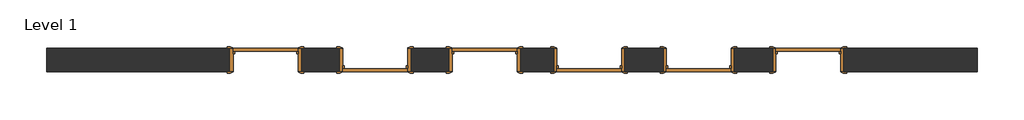
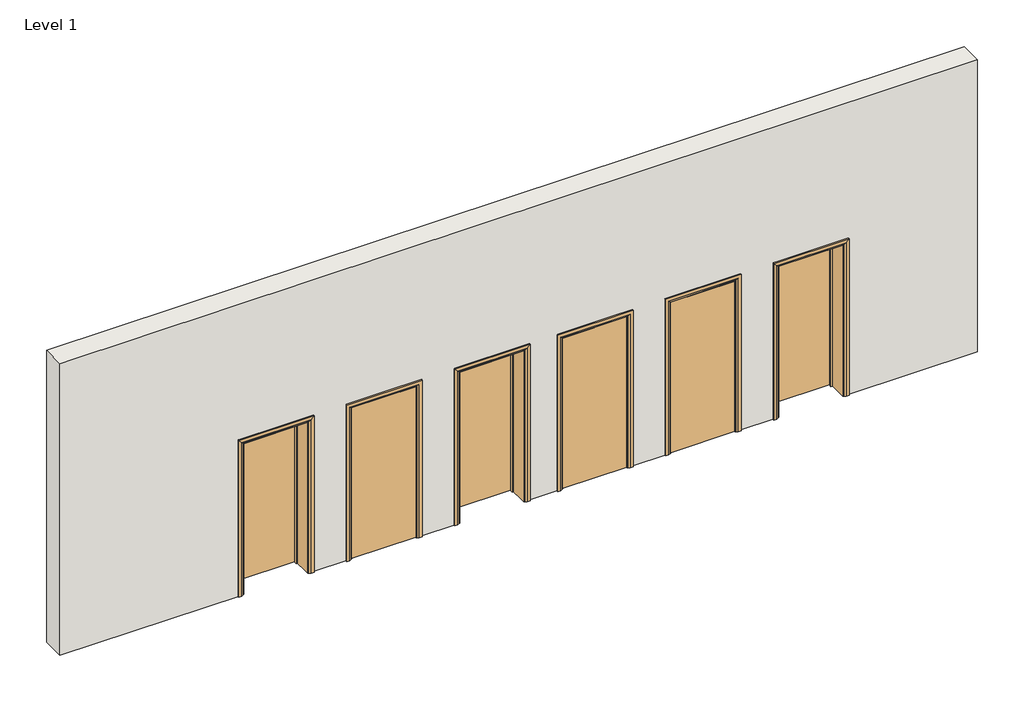
# One storey: 6 doors, 1 wall.
"""IFC4 building model written with IfcOpenShell, lengths in millimetres."""

import ifcopenshell
import ifcopenshell.guid

model = None  # the IFC model being written
_history = None  # IfcOwnerHistory: only IFC2X3 demands one
_inside = {}  # id of a spatial element -> (the spatial element, [elements in it])
_under = {}  # id of a project, library or spatial element -> (it, [spatial elements below it])
_declared = {}  # id of a project -> (the project, [libraries it declares])
_typed = {}  # id of a type object -> (the type object, [elements of that type])
_made_of = {}  # id of a material, layer set ... -> (it, [elements and type objects made of it])


def new_model(schema):
    """Start an empty IFC model of exactly this schema.

    Asked for "IFC4X3", IfcOpenShell would pick the latest addendum, in which some entities
    have other attributes; the version numbers below select the first issue.
    IFC2X3 requires an IfcOwnerHistory on every rooted entity: one is made here for all.
    """
    global model, _history
    if schema == "IFC4X3":
        model = ifcopenshell.file(schema_version=(4, 3, 0, 0))
    else:
        model = ifcopenshell.file(schema=schema)
    _inside.clear()
    _under.clear()
    _declared.clear()
    _typed.clear()
    _made_of.clear()
    _history = None
    if model.schema == "IFC2X3":
        org = make("IfcOrganization", Name="unknown")
        user = make(
            "IfcPersonAndOrganization",
            ThePerson=make("IfcPerson", FamilyName="unknown"),
            TheOrganization=org,
        )
        app = make(
            "IfcApplication",
            ApplicationDeveloper=org,
            Version="unknown",
            ApplicationFullName="unknown",
            ApplicationIdentifier="unknown",
        )
        _history = make(
            "IfcOwnerHistory",
            OwningUser=user,
            OwningApplication=app,
            ChangeAction="ADDED",
            CreationDate=0,
        )
    return model


def make(cls, **values):
    """One entity of the class cls with the attributes given. An attribute that is None is left unset."""
    return model.create_entity(
        cls, **{name: value for name, value in values.items() if value is not None}
    )


def rooted(cls, **values):
    """An entity with a GlobalId (a new one), such as an element, a storey or a relation."""
    return make(cls, GlobalId=ifcopenshell.guid.new(), OwnerHistory=_history, **values)


def si_unit(unit_type, name, prefix=None):
    """IfcSIUnit, for example si_unit("LENGTHUNIT", "METRE", prefix="MILLI")."""
    return make("IfcSIUnit", UnitType=unit_type, Prefix=prefix, Name=name)


def assignment(units):
    """IfcUnitAssignment: the units of a project."""
    return None if units is None else make("IfcUnitAssignment", Units=units)


def point(xyz):
    """IfcCartesianPoint."""
    return None if xyz is None else make("IfcCartesianPoint", Coordinates=xyz)


def direction(xyz):
    """IfcDirection."""
    return None if xyz is None else make("IfcDirection", DirectionRatios=xyz)


def frame(location, z_axis=None, x_axis=None):
    """IfcAxis2Placement3D, a coordinate frame: its origin and axes. An axis left out is left unset."""
    return make(
        "IfcAxis2Placement3D",
        Location=point(location),
        Axis=direction(z_axis),
        RefDirection=direction(x_axis),
    )


def origin():
    """The frame at (0, 0, 0) with its axes left unset."""
    return frame((0.0, 0.0, 0.0))


def place(relative_to, where):
    """IfcLocalPlacement: puts the frame where relative to a parent placement (None: the world)."""
    return make(
        "IfcLocalPlacement", PlacementRelTo=relative_to, RelativePlacement=where
    )


def context(
    kind, dimensions, precision=None, world=None, true_north=None, identifier=None
):
    """IfcGeometricRepresentationContext, for example the 3D "Model" context."""
    return make(
        "IfcGeometricRepresentationContext",
        ContextIdentifier=identifier,
        ContextType=kind,
        CoordinateSpaceDimension=dimensions,
        Precision=precision,
        WorldCoordinateSystem=world,
        TrueNorth=true_north,
    )


def project(units=None, contexts=None):
    """IfcProject with its units and contexts."""
    return rooted(
        "IfcProject",
        Name="project",
        RepresentationContexts=contexts,
        UnitsInContext=assignment(units),
    )


def spatial(cls, under=None, at=None, **own):
    """A site, building, storey or space (cls), placed at a placement, below another one or the project."""
    s = rooted(cls, ObjectPlacement=at, **own)
    if under is not None:
        _under.setdefault(under.id(), (under, []))[1].append(s)
    return s


def polyline(points):
    """IfcPolyline through the points."""
    return make("IfcPolyline", Points=[point(p) for p in points])


def circle_curve(where, radius):
    """IfcCircle in the frame where."""
    return make("IfcCircle", Position=where, Radius=radius)


def ellipse_curve(where, semi_axis1, semi_axis2):
    """IfcEllipse in the frame where."""
    return make(
        "IfcEllipse", Position=where, SemiAxis1=semi_axis1, SemiAxis2=semi_axis2
    )


def outline(outer, holes=None, kind="AREA"):
    """IfcArbitraryClosedProfileDef: a profile drawn as a closed curve; with holes, ...WithVoids."""
    if holes is None:
        return make("IfcArbitraryClosedProfileDef", ProfileType=kind, OuterCurve=outer)
    return make(
        "IfcArbitraryProfileDefWithVoids",
        ProfileType=kind,
        OuterCurve=outer,
        InnerCurves=holes,
    )


def extrude(swept, where, along, depth):
    """IfcExtrudedAreaSolid: the profile swept, set in the frame where, extruded along a direction by depth."""
    return make(
        "IfcExtrudedAreaSolid",
        SweptArea=swept,
        Position=where,
        ExtrudedDirection=direction(along),
        Depth=depth,
    )


def faces_of(points, faces, orient=None, outer=None):
    """IfcFace entities. A face is a list of loops; a loop is a list of indices into points, from 0.

    orient and outer hold one flag for each loop. By default every Orientation is true, the
    first loop of a face is its IfcFaceOuterBound and the others are IfcFaceBound.
    """
    made = []
    for i, loops in enumerate(faces):
        bounds = []
        for j, loop in enumerate(loops):
            is_outer = j == 0 if outer is None else outer[i][j]
            bounds.append(
                make(
                    "IfcFaceOuterBound" if is_outer else "IfcFaceBound",
                    Bound=make("IfcPolyLoop", Polygon=[points[k] for k in loop]),
                    Orientation=True if orient is None else orient[i][j],
                )
            )
        made.append(make("IfcFace", Bounds=bounds))
    return made


def faceted_brep(points, faces, orient=None, outer=None, voids=None):
    """IfcFacetedBrep: a solid bounded by flat faces; with voids (closed shells), ...WithVoids."""
    shared = [point(p) for p in points]
    hull = make("IfcClosedShell", CfsFaces=faces_of(shared, faces, orient, outer))
    if voids is None:
        return make("IfcFacetedBrep", Outer=hull)
    return make(
        "IfcFacetedBrepWithVoids",
        Outer=hull,
        Voids=[
            make(cls, CfsFaces=faces_of(shared, fs, o, b)) for cls, fs, o, b in voids
        ],
    )


def shape(context_of_items, identifier, shape_type, items):
    """IfcShapeRepresentation: the items that make up one representation, for example the "Body"."""
    return make(
        "IfcShapeRepresentation",
        ContextOfItems=context_of_items,
        RepresentationIdentifier=identifier,
        RepresentationType=shape_type,
        Items=items,
    )


def source(mapping_origin, context_of_items, identifier, shape_type, items):
    """IfcRepresentationMap: a shape defined once, which mapped items show again and again."""
    return make(
        "IfcRepresentationMap",
        MappingOrigin=mapping_origin,
        MappedRepresentation=shape(context_of_items, identifier, shape_type, items),
    )


def transform(
    local_origin,
    x_axis=None,
    y_axis=None,
    z_axis=None,
    scale=None,
    scale2=None,
    scale3=None,
    uniform=True,
):
    """IfcCartesianTransformationOperator3D, or its non-uniform kind. x_axis, y_axis, z_axis: its Axis1, 2, 3."""
    if uniform:
        return make(
            "IfcCartesianTransformationOperator3D",
            Axis1=direction(x_axis),
            Axis2=direction(y_axis),
            LocalOrigin=point(local_origin),
            Scale=scale,
            Axis3=direction(z_axis),
        )
    return make(
        "IfcCartesianTransformationOperator3DnonUniform",
        Axis1=direction(x_axis),
        Axis2=direction(y_axis),
        LocalOrigin=point(local_origin),
        Scale=scale,
        Axis3=direction(z_axis),
        Scale2=scale2,
        Scale3=scale3,
    )


def mapped(mapping_source, mapping_target):
    """IfcMappedItem: shows the shape of a source again, moved by a transform."""
    return make(
        "IfcMappedItem", MappingSource=mapping_source, MappingTarget=mapping_target
    )


def made_of(thing, what):
    """Note that an element or type object is made of a material, layer set ...; save() writes the relation."""
    if what is not None:
        _made_of.setdefault(what.id(), (what, []))[1].append(thing)
    return thing


def element(
    cls,
    number,
    at=None,
    inside=None,
    cuts=None,
    type_object=None,
    material=None,
    context=None,
    identifier="Body",
    shape_type=None,
    held_by="IfcProductDefinitionShape",
    body=None,
    shapes=None,
    **own,
):
    """One element of the class cls, such as IfcWall. Its Tag is "e" and its number.

    at: its placement. inside: the storey or other place that contains it. cuts: it is an
    opening in that element (IfcRelVoidsElement). A single representation is given by context,
    identifier, shape_type and body (its items); several are given by shapes. held_by: the class
    of the entity that holds the representations. save() writes the other relations.
    """
    e = rooted(cls, Tag="e%d" % number, ObjectPlacement=at, **own)
    if body is not None:
        shapes = [shape(context, identifier, shape_type, body)]
    if shapes is not None:
        e.Representation = make(held_by, Representations=shapes)
    if inside is not None:
        _inside.setdefault(inside.id(), (inside, []))[1].append(e)
    if cuts is not None:
        rooted(
            "IfcRelVoidsElement", RelatingBuildingElement=cuts, RelatedOpeningElement=e
        )
    if type_object is not None:
        _typed.setdefault(type_object.id(), (type_object, []))[1].append(e)
    return made_of(e, material)


def aggregate(whole, parts):
    """IfcRelAggregates: a whole, such as a stair, and the parts it consists of."""
    return rooted("IfcRelAggregates", RelatingObject=whole, RelatedObjects=parts)


def save(model, path):
    """Write the relations noted so far, then the file.

    IfcRelAggregates (storeys below a building ...), IfcRelContainedInSpatialStructure (elements
    in a storey), IfcRelDefinesByType, IfcRelAssociatesMaterial and IfcRelDeclares: one each for
    every whole, place, type object, material and project.
    """
    for whole, parts in _under.values():
        aggregate(whole, parts)
    for where, things in _inside.values():
        rooted(
            "IfcRelContainedInSpatialStructure",
            RelatedElements=things,
            RelatingStructure=where,
        )
    for kind, things in _typed.values():
        rooted("IfcRelDefinesByType", RelatedObjects=things, RelatingType=kind)
    for what, things in _made_of.values():
        rooted("IfcRelAssociatesMaterial", RelatedObjects=things, RelatingMaterial=what)
    for by, libraries in _declared.values():
        rooted("IfcRelDeclares", RelatingContext=by, RelatedDefinitions=libraries)
    model.write(path)


def plane_surface(at):
    """IfcPlane: the flat surface through the origin of the frame at, square to its z axis."""
    return make("IfcPlane", Position=at)


def cylinder_surface(at, radius):
    """IfcCylindricalSurface: all points at the distance radius from the z axis of the frame at."""
    return make("IfcCylindricalSurface", Position=at, Radius=radius)


def advanced_brep(points, edges, surfaces, faces):
    """IfcAdvancedBrep: a solid bounded by faces that lie on surfaces and meet in shared edges.

    An edge is (start, end): straight between two places in points (the first is 0);
    or (start, end, curve); or (start, end, curve, False) where it runs against its curve.
    A face is (place in surfaces, loops), or (place, loops, False) where it looks against
    its surface's normal. A loop lists edges by number (the first is 1), with a minus sign
    where the edge is run from its end to its start. The first loop is the outer one.
    """
    corners = [point(p) for p in points]
    vertices = [make("IfcVertexPoint", VertexGeometry=c) for c in corners]
    made = []
    for start, end, *more in edges:
        made.append(
            make(
                "IfcEdgeCurve",
                EdgeStart=vertices[start],
                EdgeEnd=vertices[end],
                EdgeGeometry=more[0] if more else make("IfcPolyline", Points=[corners[start], corners[end]]),
                SameSense=more[1] if len(more) > 1 else True,
            )
        )
    hull = []
    for where, loops, *sense in faces:
        bounds = []
        for j, loop in enumerate(loops):
            ring = [make("IfcOrientedEdge", EdgeElement=made[abs(k) - 1], Orientation=k > 0) for k in loop]
            bounds.append(
                make(
                    "IfcFaceOuterBound" if j == 0 else "IfcFaceBound",
                    Bound=make("IfcEdgeLoop", EdgeList=ring),
                    Orientation=True,
                )
            )
        hull.append(make("IfcAdvancedFace", Bounds=bounds, FaceSurface=surfaces[where], SameSense=sense[0] if sense else True))
    return make("IfcAdvancedBrep", Outer=make("IfcClosedShell", CfsFaces=hull))


def doors_concept_intsgl_910x2110mm_b3dd7a0d(model_context):
    return source(origin(), model_context, "Body", "SolidModel", [
        extrude(outline(polyline([(413.0, 112.0), (-413.0, 112.0), (-413.0, 150.0), (413.0, 150.0), (413.0, 112.0)])), frame((0.0, 0.0, 8.0), z_axis=(0.0, 0.0, 1.0), x_axis=(1.0, 0.0, 0.0)), (0.0, 0.0, 1.0), 2060.0),
        advanced_brep(
        [(490.0, 170.0, 0.0), (490.0, 150.0, 0.0), (420.0, 150.0, 0.0), (424.0, 156.0, 0.0), (450.0, 170.0, 0.0), (490.0, 170.0, 2145.0), (490.0, 150.0, 2145.0), (-490.0, 150.0, 2145.0), (-490.0, 150.0, 0.0), (-420.0, 150.0, 0.0), (-420.0, 150.0, 2075.0), (420.0, 150.0, 2075.0), (424.0, 156.0, 2079.0), (450.0, 170.0, 2105.0), (-450.0, 170.0, 2105.0), (-450.0, 170.0, 0.0), (-490.0, 170.0, 0.0), (-490.0, 170.0, 2145.0), (-424.0, 156.0, 0.0), (-424.0, 156.0, 2079.0)],
        [
            (0, 1),
            (1, 2),
            (2, 3, circle_curve(frame((428.0, 149.0, 0.0), z_axis=(0.0, 0.0, -1.0), x_axis=(1.0, 0.0, 0.0)), 8.0622577)),
            (3, 4),
            (4, 0),
            (0, 5),
            (5, 6),
            (6, 1),
            (6, 7),
            (7, 8),
            (8, 9),
            (9, 10),
            (10, 11),
            (11, 2),
            (11, 12, ellipse_curve(frame((428.0, 149.0, 2083.0), z_axis=(0.7071067811865475, 0.0, -0.7071067811865475), x_axis=(-0.7071067811865474, 0.0, -0.7071067811865476)), 11.4017543, 8.0622577)),
            (12, 3),
            (12, 13),
            (13, 4),
            (13, 14),
            (14, 15),
            (15, 16),
            (16, 17),
            (17, 5),
            (7, 17),
            (16, 8),
            (15, 18),
            (18, 9, circle_curve(frame((-428.0, 149.0, 0.0), z_axis=(0.0, 0.0, -1.0), x_axis=(-1.0, 0.0, 0.0)), 8.0622577)),
            (19, 10, ellipse_curve(frame((-428.0, 149.0, 2083.0), z_axis=(-0.7071067811865475, 0.0, -0.7071067811865475), x_axis=(-0.7071067811865474, 0.0, 0.7071067811865476)), 11.4017543, 8.0622577)),
            (18, 19),
            (14, 19),
            (19, 12),
        ],
        [
            plane_surface(frame((420.0, 150.0, 0.0), z_axis=(0.0, 0.0, -1.0), x_axis=(0.0, -1.0, 0.0))),
            plane_surface(frame((490.0, 170.0, 0.0), z_axis=(1.0, 0.0, 0.0), x_axis=(0.0, 0.0, 1.0))),
            plane_surface(frame((490.0, 150.0, 0.0), z_axis=(0.0, -1.0, 0.0), x_axis=(0.0, 0.0, 1.0))),
            cylinder_surface(frame((428.0, 149.0, 0.0), z_axis=(0.0, 0.0, -1.0), x_axis=(1.0, 0.0, 0.0)), 8.0622577),
            plane_surface(frame((424.0, 156.0, 0.0), z_axis=(-0.4740998230350126, 0.880471099922178, 0.0), x_axis=(0.0, 0.0, 1.0))),
            plane_surface(frame((450.0, 170.0, 0.0), z_axis=(0.0, 1.0, 0.0), x_axis=(0.0, 0.0, 1.0))),
            plane_surface(frame((-490.0, 170.0, 2145.0), z_axis=(-1.0, 0.0, 0.0), x_axis=(0.0, 0.0, -1.0))),
            plane_surface(frame((-420.0, 150.0, 0.0), z_axis=(0.0, 0.0, -1.0), x_axis=(0.0, -1.0, 0.0))),
            cylinder_surface(frame((-428.0, 149.0, 2075.0), z_axis=(0.0, 0.0, 1.0), x_axis=(-1.0, 0.0, 0.0)), 8.0622577),
            plane_surface(frame((-424.0, 156.0, 2079.0), z_axis=(0.47409982303501824, 0.8804710999221749, 0.0), x_axis=(0.0, 0.0, -1.0))),
            plane_surface(frame((490.0, 170.0, 2145.0), z_axis=(0.0, 0.0, 1.0), x_axis=(-1.0, 0.0, 0.0))),
            cylinder_surface(frame((420.0, 149.0, 2083.0), z_axis=(1.0, 0.0, 0.0), x_axis=(0.0, 0.0, 1.0)), 8.0622577),
            plane_surface(frame((424.0, 156.0, 2079.0), z_axis=(0.0, 0.8804710999221764, -0.4740998230350154), x_axis=(-1.0, 0.0, 0.0))),
        ],
        [
            (0, [[1, 2, 3, 4, 5]]),
            (1, [[-1, 6, 7, 8]]),
            (2, [[-2, -8, 9, 10, 11, 12, 13, 14]]),
            (3, [[-3, -14, 15, 16]]),
            (4, [[-4, -16, 17, 18]]),
            (5, [[-5, -18, 19, 20, 21, 22, 23, -6]]),
            (6, [[24, -22, 25, -10]]),
            (7, [[-21, 26, 27, -11, -25]]),
            (8, [[28, -12, -27, 29]]),
            (9, [[30, -29, -26, -20]]),
            (10, [[-7, -23, -24, -9]]),
            (11, [[-15, -13, -28, 31]]),
            (12, [[-17, -31, -30, -19]]),
        ],
    ),
        extrude(outline(polyline([(0.0, -415.0), (0.0, -396.0), (2051.0, -396.0), (2051.0, 396.0), (0.0, 396.0), (0.0, 415.0), (2070.0, 415.0), (2070.0, -415.0), (0.0, -415.0)])), frame((0.0, 78.0, 0.0), z_axis=(0.0, 1.0, 0.0), x_axis=(0.0, 0.0, 1.0)), (0.0, 0.0, 1.0), 32.0),
        advanced_brep(
        [(-490.0, -170.0, 0.0), (-490.0, -150.0, 0.0), (-420.0, -150.0, 0.0), (-424.0, -156.0, 0.0), (-450.0, -170.0, 0.0), (-490.0, -170.0, 2145.0), (-490.0, -150.0, 2145.0), (-420.0, -150.0, 2075.0), (-424.0, -156.0, 2079.0), (-450.0, -170.0, 2105.0), (490.0, -170.0, 0.0), (450.0, -170.0, 0.0), (424.0, -156.0, 0.0), (420.0, -150.0, 0.0), (490.0, -150.0, 0.0), (490.0, -170.0, 2145.0), (450.0, -170.0, 2105.0), (424.0, -156.0, 2079.0), (420.0, -150.0, 2075.0), (490.0, -150.0, 2145.0)],
        [
            (0, 1),
            (1, 2),
            (2, 3, circle_curve(frame((-428.0, -149.0, 0.0), z_axis=(0.0, 0.0, -1.0), x_axis=(-1.0, 0.0, 0.0)), 8.0622577)),
            (3, 4),
            (4, 0),
            (0, 5),
            (5, 6),
            (6, 1),
            (6, 7),
            (7, 2),
            (7, 8, ellipse_curve(frame((-428.0, -149.0, 2083.0), z_axis=(-0.7071067811865475, 0.0, -0.7071067811865475), x_axis=(0.7071067811865474, 0.0, -0.7071067811865476)), 11.4017543, 8.0622577)),
            (8, 3),
            (8, 9),
            (9, 4),
            (9, 5),
            (10, 11),
            (11, 12),
            (12, 13, circle_curve(frame((428.0, -149.0, 0.0), z_axis=(0.0, 0.0, -1.0), x_axis=(1.0, 0.0, 0.0)), 8.0622577)),
            (13, 14),
            (14, 10),
            (15, 16),
            (16, 11),
            (10, 15),
            (16, 17),
            (17, 12),
            (17, 18, ellipse_curve(frame((428.0, -149.0, 2083.0), z_axis=(0.7071067811865475, 0.0, -0.7071067811865475), x_axis=(0.7071067811865474, 0.0, 0.7071067811865476)), 11.4017543, 8.0622577)),
            (18, 13),
            (18, 19),
            (19, 14),
            (19, 15),
            (5, 15),
            (19, 6),
            (18, 7),
            (17, 8),
            (16, 9),
        ],
        [
            plane_surface(frame((-420.0, -222.8010989, 0.0), z_axis=(0.0, 0.0, -1.0), x_axis=(1.0, 0.0, 0.0))),
            plane_surface(frame((-490.0, -170.0, 0.0), z_axis=(-1.0, 0.0, 0.0), x_axis=(0.0, 0.0, 1.0))),
            plane_surface(frame((-490.0, -150.0, 0.0), z_axis=(0.0, 1.0, 0.0), x_axis=(0.0, 0.0, 1.0))),
            cylinder_surface(frame((-428.0, -149.0, 0.0), z_axis=(0.0, 0.0, -1.0), x_axis=(-1.0, 0.0, 0.0)), 8.0622577),
            plane_surface(frame((-424.0, -156.0, 0.0), z_axis=(0.4740998230350183, -0.8804710999221749, 0.0), x_axis=(0.0, 0.0, 1.0))),
            plane_surface(frame((-450.0, -170.0, 0.0), z_axis=(0.0, -1.0, 0.0), x_axis=(0.0, 0.0, 1.0))),
            plane_surface(frame((420.0, -222.8010989, 0.0), z_axis=(0.0, 0.0, -1.0), x_axis=(-1.0, 0.0, 0.0))),
            plane_surface(frame((450.0, -170.0, 2105.0), z_axis=(0.0, -1.0, 0.0), x_axis=(0.0, 0.0, -1.0))),
            plane_surface(frame((424.0, -156.0, 2079.0), z_axis=(-0.4740998230350183, -0.8804710999221749, 0.0), x_axis=(0.0, 0.0, -1.0))),
            cylinder_surface(frame((428.0, -149.0, 2075.0), z_axis=(0.0, 0.0, 1.0), x_axis=(1.0, 0.0, 0.0)), 8.0622577),
            plane_surface(frame((490.0, -150.0, 2145.0), z_axis=(0.0, 1.0, 0.0), x_axis=(0.0, 0.0, -1.0))),
            plane_surface(frame((490.0, -170.0, 2145.0), z_axis=(1.0, 0.0, 0.0), x_axis=(0.0, 0.0, -1.0))),
            plane_surface(frame((-490.0, -170.0, 2145.0), z_axis=(0.0, 0.0, 1.0), x_axis=(1.0, 0.0, 0.0))),
            plane_surface(frame((-490.0, -150.0, 2145.0), z_axis=(0.0, 1.0, 0.0), x_axis=(1.0, 0.0, 0.0))),
            cylinder_surface(frame((-420.0, -149.0, 2083.0), z_axis=(-1.0, 0.0, 0.0), x_axis=(0.0, 0.0, 1.0)), 8.0622577),
            plane_surface(frame((-424.0, -156.0, 2079.0), z_axis=(0.0, -0.8804710999221749, -0.4740998230350183), x_axis=(1.0, 0.0, 0.0))),
            plane_surface(frame((-450.0, -170.0, 2105.0), z_axis=(0.0, -1.0, 0.0), x_axis=(1.0, 0.0, 0.0))),
        ],
        [
            (0, [[1, 2, 3, 4, 5]]),
            (1, [[-1, 6, 7, 8]]),
            (2, [[-2, -8, 9, 10]]),
            (3, [[-3, -10, 11, 12]]),
            (4, [[-4, -12, 13, 14]]),
            (5, [[-5, -14, 15, -6]]),
            (6, [[16, 17, 18, 19, 20]]),
            (7, [[21, 22, -16, 23]]),
            (8, [[24, 25, -17, -22]]),
            (9, [[26, 27, -18, -25]]),
            (10, [[28, 29, -19, -27]]),
            (11, [[30, -23, -20, -29]]),
            (12, [[-7, 31, -30, 32]]),
            (13, [[-9, -32, -28, 33]]),
            (14, [[-11, -33, -26, 34]]),
            (15, [[-13, -34, -24, 35]]),
            (16, [[-15, -35, -21, -31]]),
        ],
    ),
        faceted_brep([(-415.0, -150.0, 0.0), (-455.0, -150.0, 0.0), (-455.0, 150.0, 0.0), (-415.0, 150.0, 0.0), (-415.0, -150.0, 2070.0), (-455.0, -150.0, 2110.0), (-455.0, 150.0, 2110.0), (-415.0, 150.0, 2070.0), (415.0, -150.0, 0.0), (415.0, 150.0, 0.0), (455.0, 150.0, 0.0), (455.0, -150.0, 0.0), (415.0, -150.0, 2070.0), (415.0, 150.0, 2070.0), (455.0, 150.0, 2110.0), (455.0, -150.0, 2110.0)], [[[0, 1, 2, 3]], [[1, 0, 4, 5]], [[2, 1, 5, 6]], [[3, 2, 6, 7]], [[0, 3, 7, 4]], [[8, 9, 10, 11]], [[12, 13, 9, 8]], [[13, 14, 10, 9]], [[14, 15, 11, 10]], [[15, 12, 8, 11]], [[5, 4, 12, 15]], [[6, 5, 15, 14]], [[7, 6, 14, 13]], [[4, 7, 13, 12]]]),
    ])


def doors_concept_intsgl_910x2110mm_6596e6f1(model_context):
    return source(origin(), model_context, "Body", "SolidModel", [
        extrude(outline(polyline([(413.0, -112.0), (413.0, -150.0), (-413.0, -150.0), (-413.0, -112.0), (413.0, -112.0)])), frame((0.0, 0.0, 8.0), z_axis=(0.0, 0.0, 1.0), x_axis=(1.0, 0.0, 0.0)), (0.0, 0.0, 1.0), 2060.0),
        advanced_brep(
        [(490.0, -170.0, 0.0), (450.0, -170.0, 0.0), (424.0, -156.0, 0.0), (420.0, -150.0, 0.0), (490.0, -150.0, 0.0), (490.0, -150.0, 2145.0), (490.0, -170.0, 2145.0), (420.0, -150.0, 2075.0), (-420.0, -150.0, 2075.0), (-420.0, -150.0, 0.0), (-490.0, -150.0, 0.0), (-490.0, -150.0, 2145.0), (424.0, -156.0, 2079.0), (450.0, -170.0, 2105.0), (-490.0, -170.0, 2145.0), (-490.0, -170.0, 0.0), (-450.0, -170.0, 0.0), (-450.0, -170.0, 2105.0), (-424.0, -156.0, 0.0), (-424.0, -156.0, 2079.0)],
        [
            (0, 1),
            (1, 2),
            (2, 3, circle_curve(frame((428.0, -149.0, 0.0), z_axis=(0.0, 0.0, -1.0), x_axis=(1.0, 0.0, 0.0)), 8.0622577)),
            (3, 4),
            (4, 0),
            (4, 5),
            (5, 6),
            (6, 0),
            (3, 7),
            (7, 8),
            (8, 9),
            (9, 10),
            (10, 11),
            (11, 5),
            (2, 12),
            (12, 7, ellipse_curve(frame((428.0, -149.0, 2083.0), z_axis=(0.7071067811865475, 0.0, -0.7071067811865475), x_axis=(-0.7071067811865474, 0.0, -0.7071067811865476)), 11.4017543, 8.0622577)),
            (1, 13),
            (13, 12),
            (6, 14),
            (14, 15),
            (15, 16),
            (16, 17),
            (17, 13),
            (10, 15),
            (14, 11),
            (9, 18, circle_curve(frame((-428.0, -149.0, 0.0), z_axis=(0.0, 0.0, -1.0), x_axis=(-1.0, 0.0, 0.0)), 8.0622577)),
            (18, 16),
            (19, 18),
            (8, 19, ellipse_curve(frame((-428.0, -149.0, 2083.0), z_axis=(-0.7071067811865475, 0.0, -0.7071067811865475), x_axis=(-0.7071067811865474, 0.0, 0.7071067811865476)), 11.4017543, 8.0622577)),
            (19, 17),
            (12, 19),
        ],
        [
            plane_surface(frame((420.0, -150.0, 0.0), z_axis=(0.0, 0.0, -1.0), x_axis=(0.0, 1.0, 0.0))),
            plane_surface(frame((490.0, -170.0, 0.0), z_axis=(1.0, 0.0, 0.0), x_axis=(0.0, 0.0, 1.0))),
            plane_surface(frame((490.0, -150.0, 0.0), z_axis=(0.0, 1.0, 0.0), x_axis=(0.0, 0.0, 1.0))),
            cylinder_surface(frame((428.0, -149.0, 0.0), z_axis=(0.0, 0.0, -1.0), x_axis=(1.0, 0.0, 0.0)), 8.0622577),
            plane_surface(frame((424.0, -156.0, 0.0), z_axis=(-0.4740998230350126, -0.880471099922178, 0.0), x_axis=(0.0, 0.0, 1.0))),
            plane_surface(frame((450.0, -170.0, 0.0), z_axis=(0.0, -1.0, 0.0), x_axis=(0.0, 0.0, 1.0))),
            plane_surface(frame((-490.0, -170.0, 2145.0), z_axis=(-1.0, 0.0, 0.0), x_axis=(0.0, 0.0, -1.0))),
            plane_surface(frame((-420.0, -150.0, 0.0), z_axis=(0.0, 0.0, -1.0), x_axis=(0.0, 1.0, 0.0))),
            cylinder_surface(frame((-428.0, -149.0, 2075.0), z_axis=(0.0, 0.0, 1.0), x_axis=(-1.0, 0.0, 0.0)), 8.0622577),
            plane_surface(frame((-424.0, -156.0, 2079.0), z_axis=(0.47409982303501824, -0.8804710999221749, 0.0), x_axis=(0.0, 0.0, -1.0))),
            plane_surface(frame((490.0, -170.0, 2145.0), z_axis=(0.0, 0.0, 1.0), x_axis=(-1.0, 0.0, 0.0))),
            cylinder_surface(frame((420.0, -149.0, 2083.0), z_axis=(1.0, 0.0, 0.0), x_axis=(0.0, 0.0, 1.0)), 8.0622577),
            plane_surface(frame((424.0, -156.0, 2079.0), z_axis=(0.0, -0.8804710999221764, -0.4740998230350154), x_axis=(-1.0, 0.0, 0.0))),
        ],
        [
            (0, [[1, 2, 3, 4, 5]]),
            (1, [[6, 7, 8, -5]]),
            (2, [[9, 10, 11, 12, 13, 14, -6, -4]]),
            (3, [[15, 16, -9, -3]]),
            (4, [[17, 18, -15, -2]]),
            (5, [[-8, 19, 20, 21, 22, 23, -17, -1]]),
            (6, [[-13, 24, -20, 25]]),
            (7, [[-24, -12, 26, 27, -21]]),
            (8, [[28, -26, -11, 29]]),
            (9, [[-22, -27, -28, 30]]),
            (10, [[-14, -25, -19, -7]]),
            (11, [[31, -29, -10, -16]]),
            (12, [[-23, -30, -31, -18]]),
        ],
    ),
        extrude(outline(polyline([(0.0, -396.0), (2051.0, -396.0), (2051.0, 396.0), (0.0, 396.0), (0.0, 415.0), (2070.0, 415.0), (2070.0, -415.0), (0.0, -415.0), (0.0, -396.0)])), frame((0.0, -110.0, 0.0), z_axis=(0.0, 1.0, 0.0), x_axis=(0.0, 0.0, 1.0)), (0.0, 0.0, 1.0), 32.0),
        advanced_brep(
        [(-490.0, 170.0, 0.0), (-450.0, 170.0, 0.0), (-424.0, 156.0, 0.0), (-420.0, 150.0, 0.0), (-490.0, 150.0, 0.0), (-490.0, 150.0, 2145.0), (-490.0, 170.0, 2145.0), (-420.0, 150.0, 2075.0), (-424.0, 156.0, 2079.0), (-450.0, 170.0, 2105.0), (490.0, 170.0, 0.0), (490.0, 150.0, 0.0), (420.0, 150.0, 0.0), (424.0, 156.0, 0.0), (450.0, 170.0, 0.0), (490.0, 170.0, 2145.0), (450.0, 170.0, 2105.0), (424.0, 156.0, 2079.0), (420.0, 150.0, 2075.0), (490.0, 150.0, 2145.0)],
        [
            (0, 1),
            (1, 2),
            (2, 3, circle_curve(frame((-428.0, 149.0, 0.0), z_axis=(0.0, 0.0, -1.0), x_axis=(-1.0, 0.0, 0.0)), 8.0622577)),
            (3, 4),
            (4, 0),
            (4, 5),
            (5, 6),
            (6, 0),
            (3, 7),
            (7, 5),
            (2, 8),
            (8, 7, ellipse_curve(frame((-428.0, 149.0, 2083.0), z_axis=(-0.7071067811865475, 0.0, -0.7071067811865475), x_axis=(0.7071067811865474, 0.0, -0.7071067811865476)), 11.4017543, 8.0622577)),
            (1, 9),
            (9, 8),
            (6, 9),
            (10, 11),
            (11, 12),
            (12, 13, circle_curve(frame((428.0, 149.0, 0.0), z_axis=(0.0, 0.0, -1.0), x_axis=(1.0, 0.0, 0.0)), 8.0622577)),
            (13, 14),
            (14, 10),
            (15, 10),
            (14, 16),
            (16, 15),
            (13, 17),
            (17, 16),
            (12, 18),
            (18, 17, ellipse_curve(frame((428.0, 149.0, 2083.0), z_axis=(0.7071067811865475, 0.0, -0.7071067811865475), x_axis=(0.7071067811865474, 0.0, 0.7071067811865476)), 11.4017543, 8.0622577)),
            (11, 19),
            (19, 18),
            (15, 19),
            (5, 19),
            (15, 6),
            (7, 18),
            (8, 17),
            (9, 16),
        ],
        [
            plane_surface(frame((-420.0, 222.8010989, 0.0), z_axis=(0.0, 0.0, -1.0), x_axis=(1.0, 0.0, 0.0))),
            plane_surface(frame((-490.0, 170.0, 0.0), z_axis=(-1.0, 0.0, 0.0), x_axis=(0.0, 0.0, 1.0))),
            plane_surface(frame((-490.0, 150.0, 0.0), z_axis=(0.0, -1.0, 0.0), x_axis=(0.0, 0.0, 1.0))),
            cylinder_surface(frame((-428.0, 149.0, 0.0), z_axis=(0.0, 0.0, -1.0), x_axis=(-1.0, 0.0, 0.0)), 8.0622577),
            plane_surface(frame((-424.0, 156.0, 0.0), z_axis=(0.4740998230350183, 0.8804710999221749, 0.0), x_axis=(0.0, 0.0, 1.0))),
            plane_surface(frame((-450.0, 170.0, 0.0), z_axis=(0.0, 1.0, 0.0), x_axis=(0.0, 0.0, 1.0))),
            plane_surface(frame((420.0, 222.8010989, 0.0), z_axis=(0.0, 0.0, -1.0), x_axis=(-1.0, 0.0, 0.0))),
            plane_surface(frame((450.0, 170.0, 2105.0), z_axis=(0.0, 1.0, 0.0), x_axis=(0.0, 0.0, -1.0))),
            plane_surface(frame((424.0, 156.0, 2079.0), z_axis=(-0.4740998230350183, 0.8804710999221749, 0.0), x_axis=(0.0, 0.0, -1.0))),
            cylinder_surface(frame((428.0, 149.0, 2075.0), z_axis=(0.0, 0.0, 1.0), x_axis=(1.0, 0.0, 0.0)), 8.0622577),
            plane_surface(frame((490.0, 150.0, 2145.0), z_axis=(0.0, -1.0, 0.0), x_axis=(0.0, 0.0, -1.0))),
            plane_surface(frame((490.0, 170.0, 2145.0), z_axis=(1.0, 0.0, 0.0), x_axis=(0.0, 0.0, -1.0))),
            plane_surface(frame((-490.0, 170.0, 2145.0), z_axis=(0.0, 0.0, 1.0), x_axis=(1.0, 0.0, 0.0))),
            plane_surface(frame((-490.0, 150.0, 2145.0), z_axis=(0.0, -1.0, 0.0), x_axis=(1.0, 0.0, 0.0))),
            cylinder_surface(frame((-420.0, 149.0, 2083.0), z_axis=(-1.0, 0.0, 0.0), x_axis=(0.0, 0.0, 1.0)), 8.0622577),
            plane_surface(frame((-424.0, 156.0, 2079.0), z_axis=(0.0, 0.8804710999221749, -0.4740998230350183), x_axis=(1.0, 0.0, 0.0))),
            plane_surface(frame((-450.0, 170.0, 2105.0), z_axis=(0.0, 1.0, 0.0), x_axis=(1.0, 0.0, 0.0))),
        ],
        [
            (0, [[1, 2, 3, 4, 5]]),
            (1, [[6, 7, 8, -5]]),
            (2, [[9, 10, -6, -4]]),
            (3, [[11, 12, -9, -3]]),
            (4, [[13, 14, -11, -2]]),
            (5, [[-8, 15, -13, -1]]),
            (6, [[16, 17, 18, 19, 20]]),
            (7, [[21, -20, 22, 23]]),
            (8, [[-22, -19, 24, 25]]),
            (9, [[-24, -18, 26, 27]]),
            (10, [[-26, -17, 28, 29]]),
            (11, [[-28, -16, -21, 30]]),
            (12, [[31, -30, 32, -7]]),
            (13, [[33, -29, -31, -10]]),
            (14, [[34, -27, -33, -12]]),
            (15, [[35, -25, -34, -14]]),
            (16, [[-32, -23, -35, -15]]),
        ],
    ),
        faceted_brep([(-415.0, 150.0, 0.0), (-415.0, -150.0, 0.0), (-455.0, -150.0, 0.0), (-455.0, 150.0, 0.0), (-455.0, 150.0, 2110.0), (-415.0, 150.0, 2070.0), (-455.0, -150.0, 2110.0), (-415.0, -150.0, 2070.0), (415.0, 150.0, 0.0), (455.0, 150.0, 0.0), (455.0, -150.0, 0.0), (415.0, -150.0, 0.0), (415.0, 150.0, 2070.0), (415.0, -150.0, 2070.0), (455.0, -150.0, 2110.0), (455.0, 150.0, 2110.0)], [[[0, 1, 2, 3]], [[3, 4, 5, 0]], [[2, 6, 4, 3]], [[1, 7, 6, 2]], [[0, 5, 7, 1]], [[8, 9, 10, 11]], [[12, 8, 11, 13]], [[13, 11, 10, 14]], [[14, 10, 9, 15]], [[15, 9, 8, 12]], [[4, 15, 12, 5]], [[6, 14, 15, 4]], [[7, 13, 14, 6]], [[5, 12, 13, 7]]]),
    ])


model = new_model("IFC4")

# Units and contexts
model_context = context("Model", 3, world=origin())
ifc_project = project(units=[si_unit("LENGTHUNIT", "METRE", prefix="MILLI")], contexts=[model_context])

# Site, building, storey
site = spatial("IfcSite", under=ifc_project)
building = spatial("IfcBuilding", under=site)
storey = spatial("IfcBuildingStorey", under=building, Name="Level 1", Elevation=0.0)

# Doors
placement = place(None, origin())
doors_concept_intsgl_910x2110mm_shape = doors_concept_intsgl_910x2110mm_b3dd7a0d(model_context)
element("IfcDoor", 1, ObjectType="Doors_Concept_IntSgl : 910x2110mm", at=placement, inside=storey, context=model_context, shape_type="MappedRepresentation", body=[
    mapped(doors_concept_intsgl_910x2110mm_shape, transform((1860.6382979, 2812.3005319, 0.0), x_axis=(1.0, 0.0, 0.0), y_axis=(0.0, 1.0, 0.0), z_axis=(0.0, 0.0, 1.0))),
])
element("IfcDoor", 2, ObjectType="Doors_Concept_IntSgl : 910x2110mm", at=placement, inside=storey, context=model_context, shape_type="MappedRepresentation", body=[
    mapped(doors_concept_intsgl_910x2110mm_shape, transform((3260.6382979, 2812.3005319, 0.0), x_axis=(-1.0, 0.0, 0.0), y_axis=(0.0, -1.0, 0.0), z_axis=(0.0, 0.0, 1.0))),
])
element("IfcDoor", 3, ObjectType="Doors_Concept_IntSgl : 910x2110mm", at=placement, inside=storey, context=model_context, shape_type="MappedRepresentation", body=[
    mapped(doors_concept_intsgl_910x2110mm_shape, transform((7396.7961104, 2812.3005319, 0.0), x_axis=(-1.0, 0.0, 0.0), y_axis=(0.0, -1.0, 0.0), z_axis=(0.0, 0.0, 1.0))),
])
doors_concept_intsgl_910x2110mm_2_shape = doors_concept_intsgl_910x2110mm_6596e6f1(model_context)
element("IfcDoor", 4, ObjectType="Doors_Concept_IntSgl : 910x2110mm", at=placement, inside=storey, context=model_context, shape_type="MappedRepresentation", body=[
    mapped(doors_concept_intsgl_910x2110mm_2_shape, transform((4660.6382979, 2812.3005319, 0.0), x_axis=(-1.0, 0.0, 0.0), y_axis=(0.0, -1.0, 0.0), z_axis=(0.0, 0.0, 1.0))),
])
element("IfcDoor", 5, ObjectType="Doors_Concept_IntSgl : 910x2110mm", at=placement, inside=storey, context=model_context, shape_type="MappedRepresentation", body=[
    mapped(doors_concept_intsgl_910x2110mm_2_shape, transform((5996.7961104, 2812.3005319, 0.0), x_axis=(1.0, 0.0, 0.0), y_axis=(0.0, 1.0, 0.0), z_axis=(0.0, 0.0, 1.0))),
])
element("IfcDoor", 6, ObjectType="Doors_Concept_IntSgl : 910x2110mm", at=placement, inside=storey, context=model_context, shape_type="MappedRepresentation", body=[
    mapped(doors_concept_intsgl_910x2110mm_2_shape, transform((8796.7961104, 2812.3005319, 0.0), x_axis=(-1.0, 0.0, 0.0), y_axis=(0.0, -1.0, 0.0), z_axis=(0.0, 0.0, 1.0))),
])

# Wall
element("IfcWall", 7, ObjectType="Wall 1", at=placement, inside=storey, context=model_context, shape_type="SweptSolid", body=[
    extrude(outline(polyline([(0.0, 10960.6382979), (4000.0, 10960.6382979), (4000.0, -939.3617021), (0.0, -939.3617021), (0.0, 1405.6382979), (2110.0, 1405.6382979), (2110.0, 2315.6382979), (0.0, 2315.6382979), (0.0, 2805.6382979), (2110.0, 2805.6382979), (2110.0, 3715.6382979), (0.0, 3715.6382979), (0.0, 4205.6382979), (2110.0, 4205.6382979), (2110.0, 5115.6382979), (0.0, 5115.6382979), (0.0, 5541.7961104), (2110.0, 5541.7961104), (2110.0, 6451.7961104), (0.0, 6451.7961104), (0.0, 6941.7961104), (2110.0, 6941.7961104), (2110.0, 7851.7961104), (0.0, 7851.7961104), (0.0, 8341.7961104), (2110.0, 8341.7961104), (2110.0, 9251.7961104), (0.0, 9251.7961104), (0.0, 10960.6382979)])), frame((0.0, 2662.3005319, 0.0), z_axis=(0.0, 1.0, 0.0), x_axis=(0.0, 0.0, 1.0)), (0.0, 0.0, 1.0), 300.0),
])

save(model, "model.ifc")
